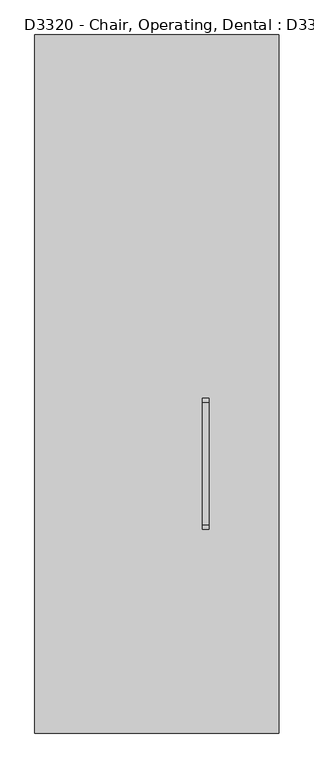
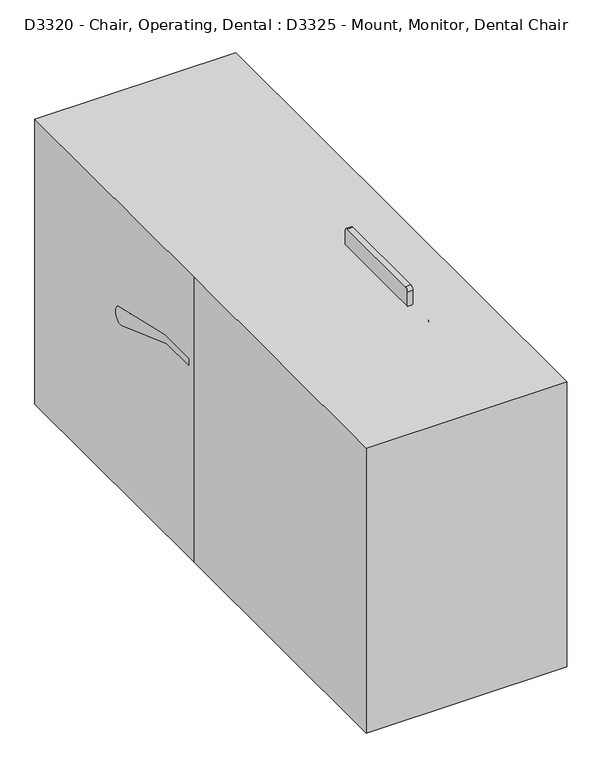
"""IFC4 building model written with IfcOpenShell, lengths in millimetres: proxy geometry, D3320 - Chair, Operating, Dental : D3325 - Mount, Monitor, Dental Chair."""

import ifcopenshell
import ifcopenshell.guid

model = None  # the IFC model being written
_history = None  # IfcOwnerHistory: only IFC2X3 demands one
_inside = {}  # id of a spatial element -> (the spatial element, [elements in it])
_under = {}  # id of a project, library or spatial element -> (it, [spatial elements below it])
_declared = {}  # id of a project -> (the project, [libraries it declares])
_typed = {}  # id of a type object -> (the type object, [elements of that type])
_made_of = {}  # id of a material, layer set ... -> (it, [elements and type objects made of it])


def new_model(schema):
    """Start an empty IFC model of exactly this schema.

    Asked for "IFC4X3", IfcOpenShell would pick the latest addendum, in which some entities
    have other attributes; the version numbers below select the first issue.
    IFC2X3 requires an IfcOwnerHistory on every rooted entity: one is made here for all.
    """
    global model, _history
    if schema == "IFC4X3":
        model = ifcopenshell.file(schema_version=(4, 3, 0, 0))
    else:
        model = ifcopenshell.file(schema=schema)
    _inside.clear()
    _under.clear()
    _declared.clear()
    _typed.clear()
    _made_of.clear()
    _history = None
    if model.schema == "IFC2X3":
        org = make("IfcOrganization", Name="unknown")
        user = make(
            "IfcPersonAndOrganization",
            ThePerson=make("IfcPerson", FamilyName="unknown"),
            TheOrganization=org,
        )
        app = make(
            "IfcApplication",
            ApplicationDeveloper=org,
            Version="unknown",
            ApplicationFullName="unknown",
            ApplicationIdentifier="unknown",
        )
        _history = make(
            "IfcOwnerHistory",
            OwningUser=user,
            OwningApplication=app,
            ChangeAction="ADDED",
            CreationDate=0,
        )
    return model


def make(cls, **values):
    """One entity of the class cls with the attributes given. An attribute that is None is left unset."""
    return model.create_entity(
        cls, **{name: value for name, value in values.items() if value is not None}
    )


def rooted(cls, **values):
    """An entity with a GlobalId (a new one), such as an element, a storey or a relation."""
    return make(cls, GlobalId=ifcopenshell.guid.new(), OwnerHistory=_history, **values)


def si_unit(unit_type, name, prefix=None):
    """IfcSIUnit, for example si_unit("LENGTHUNIT", "METRE", prefix="MILLI")."""
    return make("IfcSIUnit", UnitType=unit_type, Prefix=prefix, Name=name)


def assignment(units):
    """IfcUnitAssignment: the units of a project."""
    return None if units is None else make("IfcUnitAssignment", Units=units)


def point(xyz):
    """IfcCartesianPoint."""
    return None if xyz is None else make("IfcCartesianPoint", Coordinates=xyz)


def direction(xyz):
    """IfcDirection."""
    return None if xyz is None else make("IfcDirection", DirectionRatios=xyz)


def frame(location, z_axis=None, x_axis=None):
    """IfcAxis2Placement3D, a coordinate frame: its origin and axes. An axis left out is left unset."""
    return make(
        "IfcAxis2Placement3D",
        Location=point(location),
        Axis=direction(z_axis),
        RefDirection=direction(x_axis),
    )


def frame_2d(location, x_axis=None):
    """IfcAxis2Placement2D, a coordinate frame in the plane: its origin and x axis."""
    return make(
        "IfcAxis2Placement2D", Location=point(location), RefDirection=direction(x_axis)
    )


def origin():
    """The frame at (0, 0, 0) with its axes left unset."""
    return frame((0.0, 0.0, 0.0))


def origin_with_axes():
    """The frame at (0, 0, 0) with the z axis (0, 0, 1) and the x axis (1, 0, 0) written out."""
    return frame((0.0, 0.0, 0.0), z_axis=(0.0, 0.0, 1.0), x_axis=(1.0, 0.0, 0.0))


def place(relative_to, where):
    """IfcLocalPlacement: puts the frame where relative to a parent placement (None: the world)."""
    return make(
        "IfcLocalPlacement", PlacementRelTo=relative_to, RelativePlacement=where
    )


def context(
    kind, dimensions, precision=None, world=None, true_north=None, identifier=None
):
    """IfcGeometricRepresentationContext, for example the 3D "Model" context."""
    return make(
        "IfcGeometricRepresentationContext",
        ContextIdentifier=identifier,
        ContextType=kind,
        CoordinateSpaceDimension=dimensions,
        Precision=precision,
        WorldCoordinateSystem=world,
        TrueNorth=true_north,
    )


def project(units=None, contexts=None):
    """IfcProject with its units and contexts."""
    return rooted(
        "IfcProject",
        Name="project",
        RepresentationContexts=contexts,
        UnitsInContext=assignment(units),
    )


def spatial(cls, under=None, at=None, **own):
    """A site, building, storey or space (cls), placed at a placement, below another one or the project."""
    s = rooted(cls, ObjectPlacement=at, **own)
    if under is not None:
        _under.setdefault(under.id(), (under, []))[1].append(s)
    return s


def polyline(points):
    """IfcPolyline through the points."""
    return make("IfcPolyline", Points=[point(p) for p in points])


def circle_curve(where, radius):
    """IfcCircle in the frame where."""
    return make("IfcCircle", Position=where, Radius=radius)


def ellipse_curve(where, semi_axis1, semi_axis2):
    """IfcEllipse in the frame where."""
    return make(
        "IfcEllipse", Position=where, SemiAxis1=semi_axis1, SemiAxis2=semi_axis2
    )


def trimmed(basis, trim1, trim2, sense, master):
    """IfcTrimmedCurve: the piece of a basis curve between two trims."""
    return make(
        "IfcTrimmedCurve",
        BasisCurve=basis,
        Trim1=trim1,
        Trim2=trim2,
        SenseAgreement=sense,
        MasterRepresentation=master,
    )


def segment(curve, same_sense, transition):
    """IfcCompositeCurveSegment."""
    return make(
        "IfcCompositeCurveSegment",
        Transition=transition,
        SameSense=same_sense,
        ParentCurve=curve,
    )


def composite_curve(segments, self_intersect=None):
    """IfcCompositeCurve: segments joined end to end."""
    return make("IfcCompositeCurve", Segments=segments, SelfIntersect=self_intersect)


def outline(outer, holes=None, kind="AREA"):
    """IfcArbitraryClosedProfileDef: a profile drawn as a closed curve; with holes, ...WithVoids."""
    if holes is None:
        return make("IfcArbitraryClosedProfileDef", ProfileType=kind, OuterCurve=outer)
    return make(
        "IfcArbitraryProfileDefWithVoids",
        ProfileType=kind,
        OuterCurve=outer,
        InnerCurves=holes,
    )


def extrude(swept, where, along, depth):
    """IfcExtrudedAreaSolid: the profile swept, set in the frame where, extruded along a direction by depth."""
    return make(
        "IfcExtrudedAreaSolid",
        SweptArea=swept,
        Position=where,
        ExtrudedDirection=direction(along),
        Depth=depth,
    )


def shape(context_of_items, identifier, shape_type, items):
    """IfcShapeRepresentation: the items that make up one representation, for example the "Body"."""
    return make(
        "IfcShapeRepresentation",
        ContextOfItems=context_of_items,
        RepresentationIdentifier=identifier,
        RepresentationType=shape_type,
        Items=items,
    )


def source(mapping_origin, context_of_items, identifier, shape_type, items):
    """IfcRepresentationMap: a shape defined once, which mapped items show again and again."""
    return make(
        "IfcRepresentationMap",
        MappingOrigin=mapping_origin,
        MappedRepresentation=shape(context_of_items, identifier, shape_type, items),
    )


def transform(
    local_origin,
    x_axis=None,
    y_axis=None,
    z_axis=None,
    scale=None,
    scale2=None,
    scale3=None,
    uniform=True,
):
    """IfcCartesianTransformationOperator3D, or its non-uniform kind. x_axis, y_axis, z_axis: its Axis1, 2, 3."""
    if uniform:
        return make(
            "IfcCartesianTransformationOperator3D",
            Axis1=direction(x_axis),
            Axis2=direction(y_axis),
            LocalOrigin=point(local_origin),
            Scale=scale,
            Axis3=direction(z_axis),
        )
    return make(
        "IfcCartesianTransformationOperator3DnonUniform",
        Axis1=direction(x_axis),
        Axis2=direction(y_axis),
        LocalOrigin=point(local_origin),
        Scale=scale,
        Axis3=direction(z_axis),
        Scale2=scale2,
        Scale3=scale3,
    )


def mapped(mapping_source, mapping_target):
    """IfcMappedItem: shows the shape of a source again, moved by a transform."""
    return make(
        "IfcMappedItem", MappingSource=mapping_source, MappingTarget=mapping_target
    )


def made_of(thing, what):
    """Note that an element or type object is made of a material, layer set ...; save() writes the relation."""
    if what is not None:
        _made_of.setdefault(what.id(), (what, []))[1].append(thing)
    return thing


def element(
    cls,
    number,
    at=None,
    inside=None,
    cuts=None,
    type_object=None,
    material=None,
    context=None,
    identifier="Body",
    shape_type=None,
    held_by="IfcProductDefinitionShape",
    body=None,
    shapes=None,
    **own,
):
    """One element of the class cls, such as IfcWall. Its Tag is "e" and its number.

    at: its placement. inside: the storey or other place that contains it. cuts: it is an
    opening in that element (IfcRelVoidsElement). A single representation is given by context,
    identifier, shape_type and body (its items); several are given by shapes. held_by: the class
    of the entity that holds the representations. save() writes the other relations.
    """
    e = rooted(cls, Tag="e%d" % number, ObjectPlacement=at, **own)
    if body is not None:
        shapes = [shape(context, identifier, shape_type, body)]
    if shapes is not None:
        e.Representation = make(held_by, Representations=shapes)
    if inside is not None:
        _inside.setdefault(inside.id(), (inside, []))[1].append(e)
    if cuts is not None:
        rooted(
            "IfcRelVoidsElement", RelatingBuildingElement=cuts, RelatedOpeningElement=e
        )
    if type_object is not None:
        _typed.setdefault(type_object.id(), (type_object, []))[1].append(e)
    return made_of(e, material)


def aggregate(whole, parts):
    """IfcRelAggregates: a whole, such as a stair, and the parts it consists of."""
    return rooted("IfcRelAggregates", RelatingObject=whole, RelatedObjects=parts)


def save(model, path):
    """Write the relations noted so far, then the file.

    IfcRelAggregates (storeys below a building ...), IfcRelContainedInSpatialStructure (elements
    in a storey), IfcRelDefinesByType, IfcRelAssociatesMaterial and IfcRelDeclares: one each for
    every whole, place, type object, material and project.
    """
    for whole, parts in _under.values():
        aggregate(whole, parts)
    for where, things in _inside.values():
        rooted(
            "IfcRelContainedInSpatialStructure",
            RelatedElements=things,
            RelatingStructure=where,
        )
    for kind, things in _typed.values():
        rooted("IfcRelDefinesByType", RelatedObjects=things, RelatingType=kind)
    for what, things in _made_of.values():
        rooted("IfcRelAssociatesMaterial", RelatedObjects=things, RelatingMaterial=what)
    for by, libraries in _declared.values():
        rooted("IfcRelDeclares", RelatingContext=by, RelatedDefinitions=libraries)
    model.write(path)


def plane_surface(at):
    """IfcPlane: the flat surface through the origin of the frame at, square to its z axis."""
    return make("IfcPlane", Position=at)


def cylinder_surface(at, radius):
    """IfcCylindricalSurface: all points at the distance radius from the z axis of the frame at."""
    return make("IfcCylindricalSurface", Position=at, Radius=radius)


def revolved_surface(curve, axis_point, axis_direction):
    """IfcSurfaceOfRevolution: the curve turned about the line through axis_point along axis_direction."""
    return make(
        "IfcSurfaceOfRevolution",
        SweptCurve=make("IfcArbitraryOpenProfileDef", ProfileType="CURVE", Curve=curve),
        AxisPosition=make("IfcAxis1Placement", Location=point(axis_point), Axis=direction(axis_direction)),
    )


def spline_surface(u_degree, v_degree, points, u_multiplicities, v_multiplicities, u_knots, v_knots, weights=None):
    """IfcBSplineSurfaceWithKnots; with weights, IfcRationalBSplineSurfaceWithKnots. points: one row for each step in u."""
    own = dict(
        UDegree=u_degree,
        VDegree=v_degree,
        ControlPointsList=[[point(p) for p in row] for row in points],
        SurfaceForm="UNSPECIFIED",
        UClosed=False,
        VClosed=False,
        SelfIntersect=False,
        UMultiplicities=u_multiplicities,
        VMultiplicities=v_multiplicities,
        UKnots=u_knots,
        VKnots=v_knots,
        KnotSpec="UNSPECIFIED",
    )
    if weights is None:
        return make("IfcBSplineSurfaceWithKnots", **own)
    return make("IfcRationalBSplineSurfaceWithKnots", WeightsData=weights, **own)


def advanced_brep(points, edges, surfaces, faces):
    """IfcAdvancedBrep: a solid bounded by faces that lie on surfaces and meet in shared edges.

    An edge is (start, end): straight between two places in points (the first is 0);
    or (start, end, curve); or (start, end, curve, False) where it runs against its curve.
    A face is (place in surfaces, loops), or (place, loops, False) where it looks against
    its surface's normal. A loop lists edges by number (the first is 1), with a minus sign
    where the edge is run from its end to its start. The first loop is the outer one.
    """
    corners = [point(p) for p in points]
    vertices = [make("IfcVertexPoint", VertexGeometry=c) for c in corners]
    made = []
    for start, end, *more in edges:
        made.append(
            make(
                "IfcEdgeCurve",
                EdgeStart=vertices[start],
                EdgeEnd=vertices[end],
                EdgeGeometry=more[0] if more else make("IfcPolyline", Points=[corners[start], corners[end]]),
                SameSense=more[1] if len(more) > 1 else True,
            )
        )
    hull = []
    for where, loops, *sense in faces:
        bounds = []
        for j, loop in enumerate(loops):
            ring = [make("IfcOrientedEdge", EdgeElement=made[abs(k) - 1], Orientation=k > 0) for k in loop]
            bounds.append(
                make(
                    "IfcFaceOuterBound" if j == 0 else "IfcFaceBound",
                    Bound=make("IfcEdgeLoop", EdgeList=ring),
                    Orientation=True,
                )
            )
        hull.append(make("IfcAdvancedFace", Bounds=bounds, FaceSurface=surfaces[where], SameSense=sense[0] if sense else True))
    return make("IfcAdvancedBrep", Outer=make("IfcClosedShell", CfsFaces=hull))


def d3320_chair_operating_dental_d3325_mount_monitor_dental_678bfee4(model_context):
    return source(origin(), model_context, "Body", "SolidModel", [
        advanced_brep(
        [(330.2, -282.0868489, 807.4979758), (330.2, -282.0868489, 845.5979758), (330.2, -212.2368489, 877.3479758), (330.2, -250.3368489, 877.3479758)],
        [
            (0, 1, circle_curve(frame((330.2, -282.0868489, 826.5479758), z_axis=(0.0, -1.0, 0.0), x_axis=(0.0, 0.0, 1.0)), 19.05)),
            (1, 0, circle_curve(frame((330.2, -282.0868489, 826.5479758), z_axis=(0.0, -1.0, 0.0), x_axis=(0.0, 0.0, 1.0)), 19.05)),
            (2, 3, circle_curve(frame((330.2, -231.2868489, 877.3479758), z_axis=(0.0, 0.0, 1.0), x_axis=(0.0, -1.0, 0.0)), 19.05)),
            (3, 2, circle_curve(frame((330.2, -231.2868489, 877.3479758), z_axis=(0.0, 0.0, 1.0), x_axis=(0.0, -1.0, 0.0)), 19.05)),
            (3, 1, circle_curve(frame((330.2, -282.0868489, 877.3479758), z_axis=(-1.0, 0.0, 0.0), x_axis=(0.0, 0.0, -1.0)), 31.75)),
            (0, 2, circle_curve(frame((330.2, -282.0868489, 877.3479758), z_axis=(1.0, 0.0, 0.0), x_axis=(0.0, 0.0, -1.0)), 69.85)),
        ],
        [
            plane_surface(frame((330.2, -282.0868489, 826.5479758), z_axis=(0.0, -1.0, 0.0), x_axis=(1.0, 0.0, 0.0))),
            plane_surface(frame((330.2, -231.2868489, 877.3479758), z_axis=(0.0, 0.0, 1.0), x_axis=(1.0, 0.0, 0.0))),
            revolved_surface(trimmed(ellipse_curve(frame((330.2, -282.0868489, 826.5479758), z_axis=(0.0, -1.0, 0.0), x_axis=(0.0, 0.0, 1.0)), 19.05, 19.05), [point((330.2, -282.0868489, 807.4979758))], [point((330.2, -282.0868489, 845.5979758))], True, "CARTESIAN"), (330.2, -282.0868489, 877.3479758), (1.0, 0.0, 0.0)),
            revolved_surface(trimmed(ellipse_curve(frame((330.2, -282.0868489, 826.5479758), z_axis=(0.0, -1.0, 0.0), x_axis=(0.0, 0.0, 1.0)), 19.05, 19.05), [point((330.2, -282.0868489, 845.5979758))], [point((330.2, -282.0868489, 807.4979758))], True, "CARTESIAN"), (330.2, -282.0868489, 877.3479758), (1.0, 0.0, 0.0)),
        ],
        [
            (0, [[1, 2]]),
            (1, [[3, 4]]),
            (2, [[5, -1, 6, -4]]),
            (3, [[-6, -2, -5, -3]]),
        ],
    ),
        extrude(outline(composite_curve([segment(trimmed(circle_curve(frame_2d((826.5479758, 330.2)), 19.05), [point((807.4979758, 330.2))], [point((845.5979758, 330.2))], False, "CARTESIAN"), True, "CONTINUOUS"), segment(trimmed(circle_curve(frame_2d((826.5479758, 330.2)), 19.05), [point((845.5979758, 330.2))], [point((807.4979758, 330.2))], False, "CARTESIAN"), True, "CONTINUOUS")], self_intersect=False)), frame((0.0, -629.7082464, 0.0), z_axis=(0.0, 1.0, 0.0), x_axis=(0.0, 0.0, 1.0)), (0.0, 0.0, 1.0), 347.6213974),
        advanced_brep(
        [(330.2, -629.7082464, 845.5979758), (330.2, -629.7082464, 807.4979758), (330.2, -699.5582464, 775.7479758), (330.2, -661.4582464, 775.7479758)],
        [
            (0, 1, circle_curve(frame((330.2, -629.7082464, 826.5479758), z_axis=(0.0, 1.0, 0.0), x_axis=(0.0, 0.0, -1.0)), 19.05)),
            (1, 0, circle_curve(frame((330.2, -629.7082464, 826.5479758), z_axis=(0.0, 1.0, 0.0), x_axis=(0.0, 0.0, -1.0)), 19.05)),
            (2, 3, circle_curve(frame((330.2, -680.5082464, 775.7479758), z_axis=(0.0, 0.0, -1.0), x_axis=(0.0, 1.0, 0.0)), 19.05)),
            (3, 2, circle_curve(frame((330.2, -680.5082464, 775.7479758), z_axis=(0.0, 0.0, -1.0), x_axis=(0.0, 1.0, 0.0)), 19.05)),
            (3, 1, circle_curve(frame((330.2, -629.7082464, 775.7479758), z_axis=(-1.0, 0.0, 0.0), x_axis=(0.0, 0.0, 1.0)), 31.75)),
            (0, 2, circle_curve(frame((330.2, -629.7082464, 775.7479758), z_axis=(1.0, 0.0, 0.0), x_axis=(0.0, 0.0, 1.0)), 69.85)),
        ],
        [
            plane_surface(frame((330.2, -629.7082464, 826.5479758), z_axis=(0.0, 1.0, 0.0), x_axis=(1.0, 0.0, 0.0))),
            plane_surface(frame((330.2, -680.5082464, 775.7479758), z_axis=(0.0, 0.0, -1.0), x_axis=(1.0, 0.0, 0.0))),
            revolved_surface(trimmed(ellipse_curve(frame((330.2, -629.7082464, 826.5479758), z_axis=(0.0, 1.0, 0.0), x_axis=(0.0, 0.0, -1.0)), 19.05, 19.05), [point((330.2, -629.7082464, 845.5979758))], [point((330.2, -629.7082464, 807.4979758))], True, "CARTESIAN"), (330.2, -629.7082464, 775.7479758), (1.0, 0.0, 0.0)),
            revolved_surface(trimmed(ellipse_curve(frame((330.2, -629.7082464, 826.5479758), z_axis=(0.0, 1.0, 0.0), x_axis=(0.0, 0.0, -1.0)), 19.05, 19.05), [point((330.2, -629.7082464, 807.4979758))], [point((330.2, -629.7082464, 845.5979758))], True, "CARTESIAN"), (330.2, -629.7082464, 775.7479758), (1.0, 0.0, 0.0)),
        ],
        [
            (0, [[1, 2]]),
            (1, [[3, 4]]),
            (2, [[5, -1, 6, -4]]),
            (3, [[-6, -2, -5, -3]]),
        ],
    ),
        extrude(outline(composite_curve([segment(polyline([(-54.312137, 904.4198133), (-409.912137, 904.4198133)]), True, "CONTINUOUS"), segment(trimmed(circle_curve(frame_2d((-409.912137, 917.1198133)), 12.7), [point((-409.912137, 904.4198133))], [point((-422.612137, 917.1198133))], False, "CARTESIAN"), True, "CONTINUOUS"), segment(polyline([(-422.612137, 917.1198133), (-422.612137, 1120.3198133)]), True, "CONTINUOUS"), segment(trimmed(circle_curve(frame_2d((-409.912137, 1120.3198133)), 12.7), [point((-422.612137, 1120.3198133))], [point((-409.912137, 1133.0198133))], False, "CARTESIAN"), True, "CONTINUOUS"), segment(polyline([(-409.912137, 1133.0198133), (-54.312137, 1133.0198133)]), True, "CONTINUOUS"), segment(trimmed(circle_curve(frame_2d((-54.312137, 1120.3198133)), 12.7), [point((-54.312137, 1133.0198133))], [point((-41.612137, 1120.3198133))], False, "CARTESIAN"), True, "CONTINUOUS"), segment(polyline([(-41.612137, 1120.3198133), (-41.612137, 917.1198133)]), True, "CONTINUOUS"), segment(trimmed(circle_curve(frame_2d((-54.312137, 917.1198133)), 12.7), [point((-41.612137, 917.1198133))], [point((-54.312137, 904.4198133))], False, "CARTESIAN"), True, "CONTINUOUS")], self_intersect=False)), frame((133.35, 0.0, 0.0), z_axis=(1.0, 0.0, 0.0), x_axis=(0.0, 1.0, 0.0)), (0.0, 0.0, 1.0), 19.05),
        advanced_brep(
        [(152.4, -231.2868489, 909.123847), (152.4, -231.2868489, 947.223847), (279.4, -231.2868489, 947.223847), (279.4, -231.2868489, 909.123847), (311.15, -231.2868489, 877.373847), (349.25, -231.2868489, 877.373847)],
        [
            (0, 1, circle_curve(frame((152.4, -231.2868489, 928.173847), z_axis=(-1.0, 0.0, 0.0), x_axis=(0.0, 0.0, 1.0)), 19.05)),
            (1, 0, circle_curve(frame((152.4, -231.2868489, 928.173847), z_axis=(-1.0, 0.0, 0.0), x_axis=(0.0, 0.0, 1.0)), 19.05)),
            (1, 2),
            (2, 3, circle_curve(frame((279.4, -231.2868489, 928.173847), z_axis=(-1.0, 0.0, 0.0), x_axis=(0.0, 0.0, 1.0)), 19.05)),
            (3, 0),
            (3, 2, circle_curve(frame((279.4, -231.2868489, 928.173847), z_axis=(-1.0, 0.0, 0.0), x_axis=(0.0, 0.0, 1.0)), 19.05)),
            (4, 5, circle_curve(frame((330.2, -231.2868489, 877.373847), z_axis=(0.0, 0.0, -1.0), x_axis=(1.0, 0.0, 0.0)), 19.05)),
            (5, 4, circle_curve(frame((330.2, -231.2868489, 877.373847), z_axis=(0.0, 0.0, -1.0), x_axis=(1.0, 0.0, 0.0)), 19.05)),
            (4, 3, circle_curve(frame((279.4, -231.2868489, 877.373847), z_axis=(0.0, -1.0, 0.0), x_axis=(0.0, 0.0, 1.0)), 31.75)),
            (2, 5, circle_curve(frame((279.4, -231.2868489, 877.373847), z_axis=(0.0, 1.0, 0.0), x_axis=(0.0, 0.0, 1.0)), 69.85)),
        ],
        [
            plane_surface(frame((152.4, -231.2868489, 928.173847), z_axis=(-1.0, 0.0, 0.0), x_axis=(0.0, -1.0, 0.0))),
            cylinder_surface(frame((152.4, -231.2868489, 928.173847), z_axis=(-1.0, 0.0, 0.0), x_axis=(0.0, 0.0, 1.0)), 19.05),
            plane_surface(frame((330.2, -231.2868489, 877.373847), z_axis=(0.0, 0.0, -1.0), x_axis=(0.0, -1.0, 0.0))),
            revolved_surface(trimmed(ellipse_curve(frame((279.4, -231.2868489, 928.173847), z_axis=(-1.0, 0.0, 0.0), x_axis=(0.0, 0.0, 1.0)), 19.05, 19.05), [point((279.4, -231.2868489, 947.223847))], [point((279.4, -231.2868489, 909.123847))], True, "CARTESIAN"), (279.4, -231.2868489, 877.373847), (0.0, 1.0, 0.0)),
            revolved_surface(trimmed(ellipse_curve(frame((279.4, -231.2868489, 928.173847), z_axis=(-1.0, 0.0, 0.0), x_axis=(0.0, 0.0, 1.0)), 19.05, 19.05), [point((279.4, -231.2868489, 909.123847))], [point((279.4, -231.2868489, 947.223847))], True, "CARTESIAN"), (279.4, -231.2868489, 877.373847), (0.0, 1.0, 0.0)),
        ],
        [
            (0, [[1, 2]]),
            (1, [[-2, 3, 4, 5]]),
            (1, [[-1, -5, 6, -3]]),
            (2, [[7, 8]]),
            (3, [[9, -4, 10, -7]]),
            (4, [[-10, -6, -9, -8]]),
        ],
    ),
        advanced_brep(
        [(152.4, -680.5082464, 147.0979758), (152.4, -680.5082464, 185.1979758), (279.4, -680.5082464, 147.0979758), (279.4, -680.5082464, 185.1979758), (349.25, -680.5082464, 216.9479758), (311.15, -680.5082464, 216.9479758)],
        [
            (0, 1, circle_curve(frame((152.4, -680.5082464, 166.1479758), z_axis=(-1.0, 0.0, 0.0), x_axis=(0.0, 0.0, 1.0)), 19.05)),
            (1, 0, circle_curve(frame((152.4, -680.5082464, 166.1479758), z_axis=(-1.0, 0.0, 0.0), x_axis=(0.0, 0.0, 1.0)), 19.05)),
            (0, 2),
            (2, 3, circle_curve(frame((279.4, -680.5082464, 166.1479758), z_axis=(-1.0, 0.0, 0.0), x_axis=(0.0, 0.0, 1.0)), 19.05)),
            (3, 1),
            (3, 2, circle_curve(frame((279.4, -680.5082464, 166.1479758), z_axis=(-1.0, 0.0, 0.0), x_axis=(0.0, 0.0, 1.0)), 19.05)),
            (4, 5, circle_curve(frame((330.2, -680.5082464, 216.9479758), z_axis=(0.0, 0.0, 1.0), x_axis=(-1.0, 0.0, 0.0)), 19.05)),
            (5, 4, circle_curve(frame((330.2, -680.5082464, 216.9479758), z_axis=(0.0, 0.0, 1.0), x_axis=(-1.0, 0.0, 0.0)), 19.05)),
            (5, 3, circle_curve(frame((279.4, -680.5082464, 216.9479758), z_axis=(0.0, 1.0, 0.0), x_axis=(0.0, 0.0, -1.0)), 31.75)),
            (2, 4, circle_curve(frame((279.4, -680.5082464, 216.9479758), z_axis=(0.0, -1.0, 0.0), x_axis=(0.0, 0.0, -1.0)), 69.85)),
        ],
        [
            plane_surface(frame((152.4, -680.5082464, 166.1479758), z_axis=(-1.0, 0.0, 0.0), x_axis=(0.0, -1.0, 0.0))),
            cylinder_surface(frame((152.4, -680.5082464, 166.1479758), z_axis=(-1.0, 0.0, 0.0), x_axis=(0.0, 0.0, 1.0)), 19.05),
            plane_surface(frame((330.2, -680.5082464, 216.9479758), z_axis=(0.0, 0.0, 1.0), x_axis=(0.0, -1.0, 0.0))),
            revolved_surface(trimmed(ellipse_curve(frame((279.4, -680.5082464, 166.1479758), z_axis=(-1.0, 0.0, 0.0), x_axis=(0.0, 0.0, 1.0)), 19.05, 19.05), [point((279.4, -680.5082464, 147.0979758))], [point((279.4, -680.5082464, 185.1979758))], True, "CARTESIAN"), (279.4, -680.5082464, 216.9479758), (0.0, -1.0, 0.0)),
            revolved_surface(trimmed(ellipse_curve(frame((279.4, -680.5082464, 166.1479758), z_axis=(-1.0, 0.0, 0.0), x_axis=(0.0, 0.0, 1.0)), 19.05, 19.05), [point((279.4, -680.5082464, 185.1979758))], [point((279.4, -680.5082464, 147.0979758))], True, "CARTESIAN"), (279.4, -680.5082464, 216.9479758), (0.0, -1.0, 0.0)),
        ],
        [
            (0, [[1, 2]]),
            (1, [[-1, 3, 4, 5]]),
            (1, [[-2, -5, 6, -3]]),
            (2, [[7, 8]]),
            (3, [[9, -4, 10, -8]]),
            (4, [[-10, -6, -9, -7]]),
        ],
    ),
        extrude(outline(composite_curve([segment(trimmed(circle_curve(frame_2d((493.8256126, 645.6714008)), 19.05), [point((474.7756126, 645.6714008))], [point((512.8756126, 645.6714008))], False, "CARTESIAN"), True, "CONTINUOUS"), segment(trimmed(circle_curve(frame_2d((493.8256126, 645.6714008)), 19.05), [point((512.8756126, 645.6714008))], [point((474.7756126, 645.6714008))], False, "CARTESIAN"), True, "CONTINUOUS")], self_intersect=False)), frame((-306.1189765, 0.0, 0.0), z_axis=(1.0, 0.0, 0.0), x_axis=(0.0, 1.0, 0.0)), (0.0, 0.0, 1.0), 610.9189765),
        extrude(outline(composite_curve([segment(trimmed(circle_curve(frame_2d((330.2, -680.5082464)), 19.05), [point((349.25, -680.5082464))], [point((311.15, -680.5082464))], False, "CARTESIAN"), True, "CONTINUOUS"), segment(trimmed(circle_curve(frame_2d((330.2, -680.5082464)), 19.05), [point((311.15, -680.5082464))], [point((349.25, -680.5082464))], False, "CARTESIAN"), True, "CONTINUOUS")], self_intersect=False)), frame((0.0, 0.0, 216.9479758), z_axis=(0.0, 0.0, 1.0), x_axis=(1.0, 0.0, 0.0)), (0.0, 0.0, 1.0), 558.8),
        extrude(outline(composite_curve([segment(trimmed(circle_curve(frame_2d((208.2843617, -50.8)), 50.8), [point((208.2843617, 0.0))], [point((243.3133982, -14.0086069))], False, "CARTESIAN"), True, "CONTINUOUS"), segment(polyline([(243.3133982, -14.0086069), (332.2133982, -167.9879237)]), True, "CONTINUOUS"), segment(trimmed(circle_curve(frame_2d((16.6967808, -350.1515277)), 364.327208), [point((332.2133982, -167.9879237))], [point((381.0, -345.9707394))], False, "CARTESIAN"), True, "CONTINUOUS"), segment(polyline([(381.0, -345.9707394), (381.0, -422.1707394)]), True, "CONTINUOUS"), segment(trimmed(circle_curve(frame_2d((182.0559291, -422.1707394)), 198.9440709), [point((381.0, -422.1707394))], [point((309.9347128, -574.5707394))], False, "CARTESIAN"), True, "CONTINUOUS"), segment(polyline([(309.9347128, -574.5707394), (-50.8, -574.5707394)]), True, "CONTINUOUS"), segment(trimmed(circle_curve(frame_2d((22.4448791, -442.6982999)), 150.8481111), [point((-50.8, -574.5707394))], [point((-127.0, -422.1707394))], False, "CARTESIAN"), True, "CONTINUOUS"), segment(polyline([(-127.0, -422.1707394), (-127.0, -345.9707394)]), True, "CONTINUOUS"), segment(trimmed(circle_curve(frame_2d((237.3032191, -350.1515277)), 364.327208), [point((-127.0, -345.9707394))], [point((-78.2133983, -167.9879237))], False, "CARTESIAN"), True, "CONTINUOUS"), segment(polyline([(-78.2133983, -167.9879237), (10.6866017, -14.0086069)]), True, "CONTINUOUS"), segment(trimmed(circle_curve(frame_2d((45.7156382, -50.8)), 50.8), [point((10.6866017, -14.0086069))], [point((45.7156382, 0.0))], False, "CARTESIAN"), True, "CONTINUOUS"), segment(polyline([(45.7156382, 0.0), (208.2843617, 0.0)]), True, "CONTINUOUS")], self_intersect=False)), frame((-129.5673564, 864.322553, 876.3857997), z_axis=(0.0, -0.6156614753256581, 0.7880107536067222), x_axis=(1.0, 0.0, 0.0)), (0.0, 0.0, 1.0), 25.4),
        extrude(outline(composite_curve([segment(trimmed(circle_curve(frame_2d((208.2843617, -50.8)), 50.8), [point((208.2843617, 0.0))], [point((243.3133982, -14.0086069))], False, "CARTESIAN"), True, "CONTINUOUS"), segment(polyline([(243.3133982, -14.0086069), (332.2133982, -167.9879237)]), True, "CONTINUOUS"), segment(trimmed(circle_curve(frame_2d((16.6967808, -350.1515277)), 364.327208), [point((332.2133982, -167.9879237))], [point((381.0, -345.9707394))], False, "CARTESIAN"), True, "CONTINUOUS"), segment(polyline([(381.0, -345.9707394), (381.0, -422.1707394)]), True, "CONTINUOUS"), segment(trimmed(circle_curve(frame_2d((182.0559291, -422.1707394)), 198.9440709), [point((381.0, -422.1707394))], [point((309.9347128, -574.5707394))], False, "CARTESIAN"), True, "CONTINUOUS"), segment(polyline([(309.9347128, -574.5707394), (-50.8, -574.5707394)]), True, "CONTINUOUS"), segment(trimmed(circle_curve(frame_2d((22.4448791, -442.6982998)), 150.8481111), [point((-50.8, -574.5707394))], [point((-127.0, -422.1707394))], False, "CARTESIAN"), True, "CONTINUOUS"), segment(polyline([(-127.0, -422.1707394), (-127.0, -345.9707394)]), True, "CONTINUOUS"), segment(trimmed(circle_curve(frame_2d((237.3032191, -350.1515277)), 364.327208), [point((-127.0, -345.9707394))], [point((-78.2133983, -167.9879237))], False, "CARTESIAN"), True, "CONTINUOUS"), segment(polyline([(-78.2133983, -167.9879237), (10.6866017, -14.0086069)]), True, "CONTINUOUS"), segment(trimmed(circle_curve(frame_2d((45.7156382, -50.8)), 50.8), [point((10.6866017, -14.0086069))], [point((45.7156382, 0.0))], False, "CARTESIAN"), True, "CONTINUOUS"), segment(polyline([(45.7156382, 0.0), (208.2843617, 0.0)]), True, "CONTINUOUS")], self_intersect=False)), frame((-129.5673564, 848.6847515, 896.4012729), z_axis=(0.0, -0.6156614753256581, 0.7880107536067222), x_axis=(1.0, 0.0, 0.0)), (0.0, 0.0, 1.0), 50.8),
        extrude(outline(composite_curve([segment(trimmed(circle_curve(frame_2d((489.7654805, 647.772225)), 31.75), [point((504.1673656, 676.0679527))], [point((478.9625427, 617.9165884))], False, "CARTESIAN"), True, "CONTINUOUS"), segment(polyline([(478.9625427, 617.9165884), (206.8538697, 716.3761557), (73.5038697, 716.3761557), (73.5038697, 741.7761557), (219.5538697, 741.7761557), (504.1673656, 676.0679527)]), True, "CONTINUOUS")], self_intersect=False)), frame((304.8, 0.0, 0.0), z_axis=(1.0, 0.0, 0.0), x_axis=(0.0, 1.0, 0.0)), (0.0, 0.0, 1.0), 50.8),
        extrude(outline(composite_curve([segment(trimmed(circle_curve(frame_2d((489.7654805, 647.772225)), 31.75), [point((504.1673656, 676.0679527))], [point((478.9625427, 617.9165884))], False, "CARTESIAN"), True, "CONTINUOUS"), segment(polyline([(478.9625427, 617.9165884), (206.8538697, 716.3761557), (73.5038697, 716.3761557), (73.5038697, 741.7761557), (219.5538697, 741.7761557), (504.1673656, 676.0679527)]), True, "CONTINUOUS")], self_intersect=False)), frame((-355.6, 0.0, 0.0), z_axis=(1.0, 0.0, 0.0), x_axis=(0.0, 1.0, 0.0)), (0.0, 0.0, 1.0), 50.8),
        extrude(outline(polyline([(310.7877426, 480.8103013), (395.9168302, 542.6602038), (411.5546317, 522.6447306), (310.7877426, 449.4333003), (310.7877426, 480.8103013)])), frame((-50.8, 0.0, 0.0), z_axis=(1.0, 0.0, 0.0), x_axis=(0.0, 1.0, 0.0)), (0.0, 0.0, 1.0), 101.6),
        extrude(outline(polyline([(0.0, -12.7000001), (0.0, 0.0), (50.8, 0.0), (50.8, -12.7000001), (0.0, -12.7000001)])), frame((25.4, 864.322553, 876.3857997), z_axis=(0.0, -0.6156614753256595, 0.788010753606721), x_axis=(-1.0, 0.0, 0.0)), (0.0, 0.0, 1.0), 25.4),
        extrude(outline(composite_curve([segment(trimmed(circle_curve(frame_2d((101.6, -50.8)), 50.8), [point((101.6, 0.0))], [point((152.4, -50.8))], False, "CARTESIAN"), True, "CONTINUOUS"), segment(polyline([(152.4, -50.8), (152.4, -101.6)]), True, "CONTINUOUS"), segment(trimmed(circle_curve(frame_2d((101.6, -101.6)), 50.8), [point((152.4, -101.6))], [point((101.6, -152.3999999))], False, "CARTESIAN"), True, "CONTINUOUS"), segment(polyline([(101.6, -152.3999999), (50.8, -152.3999999)]), True, "CONTINUOUS"), segment(trimmed(circle_curve(frame_2d((50.8, -101.6)), 50.8), [point((50.8, -152.3999999))], [point((0.0, -101.6))], False, "CARTESIAN"), True, "CONTINUOUS"), segment(polyline([(0.0, -101.6), (0.0, -50.8)]), True, "CONTINUOUS"), segment(trimmed(circle_curve(frame_2d((50.8, -50.8)), 50.8), [point((0.0, -50.8))], [point((50.8, 0.0))], False, "CARTESIAN"), True, "CONTINUOUS"), segment(polyline([(50.8, 0.0), (101.6, 0.0)]), True, "CONTINUOUS")], self_intersect=False)), frame((-76.2, 994.4231284, 978.0315093), z_axis=(0.0, -0.6156614753256581, 0.7880107536067222), x_axis=(1.0, 0.0, 0.0)), (0.0, 0.0, 1.0), 25.4),
        extrude(outline(composite_curve([segment(trimmed(circle_curve(frame_2d((101.6, -50.8)), 50.8), [point((101.6, 0.0))], [point((152.4, -50.8))], False, "CARTESIAN"), True, "CONTINUOUS"), segment(polyline([(152.4, -50.8), (152.4, -101.6)]), True, "CONTINUOUS"), segment(trimmed(circle_curve(frame_2d((101.6, -101.6)), 50.8), [point((152.4, -101.6))], [point((101.6, -152.4))], False, "CARTESIAN"), True, "CONTINUOUS"), segment(polyline([(101.6, -152.4), (50.8, -152.4)]), True, "CONTINUOUS"), segment(trimmed(circle_curve(frame_2d((50.8, -101.6)), 50.8), [point((50.8, -152.4))], [point((0.0, -101.6))], False, "CARTESIAN"), True, "CONTINUOUS"), segment(polyline([(0.0, -101.6), (0.0, -50.8)]), True, "CONTINUOUS"), segment(trimmed(circle_curve(frame_2d((50.8, -50.8)), 50.8), [point((0.0, -50.8))], [point((50.8, 0.0))], False, "CARTESIAN"), True, "CONTINUOUS"), segment(polyline([(50.8, 0.0), (101.6, 0.0)]), True, "CONTINUOUS")], self_intersect=False)), frame((-76.2, 978.7853269, 998.0469825), z_axis=(0.0, -0.6156614753256581, 0.7880107536067222), x_axis=(1.0, 0.0, 0.0)), (0.0, 0.0, 1.0), 50.8),
        extrude(outline(polyline([(336.1877426, 524.8043918), (310.7877426, 480.8103013), (-272.8576262, 594.2594685), (-295.1268804, 639.918206), (336.1877426, 524.8043918)])), frame((-304.8, 0.0, 0.0), z_axis=(1.0, 0.0, 0.0), x_axis=(0.0, 1.0, 0.0)), (0.0, 0.0, 1.0), 609.6),
        extrude(outline(composite_curve([segment(polyline([(598.2189765, 0.0), (532.7462193, -533.2328165)]), True, "CONTINUOUS"), segment(trimmed(circle_curve(frame_2d((274.2361884, -526.7589345)), 258.5910811), [point((532.7462193, -533.2328165))], [point((338.8867287, -777.137957))], False, "CARTESIAN"), True, "CONTINUOUS"), segment(polyline([(338.8867287, -777.137957), (245.3132713, -777.137957)]), True, "CONTINUOUS"), segment(trimmed(circle_curve(frame_2d((309.9638116, -526.7589345)), 258.5910811), [point((245.3132713, -777.137957))], [point((51.4537807, -533.2328165))], False, "CARTESIAN"), True, "CONTINUOUS"), segment(polyline([(51.4537807, -533.2328165), (-14.0189765, 0.0), (598.2189765, 0.0)]), True, "CONTINUOUS")], self_intersect=False)), frame((-292.1, -283.3586332, 589.1377851), z_axis=(0.0, -0.4383711467890792, 0.8987940462991661), x_axis=(1.0, 0.0, 0.0)), (0.0, 0.0, 1.0), 50.8),
        extrude(outline(composite_curve([segment(polyline([(-272.8576262, 594.2594685), (310.7877426, 480.8103013), (310.7877426, 452.8366621)]), True, "CONTINUOUS"), segment(trimmed(circle_curve(frame_2d((259.9877426, 452.8366621)), 50.8), [point((310.7877426, 452.8366621))], [point((259.9877426, 402.0366621))], False, "CARTESIAN"), True, "CONTINUOUS"), segment(polyline([(259.9877426, 402.0366621), (90.373422, 402.0366621)]), True, "CONTINUOUS"), segment(trimmed(circle_curve(frame_2d((90.373422, 452.8366621)), 50.8), [point((90.373422, 402.0366621))], [point((74.4163817, 404.6079065))], False, "CARTESIAN"), True, "CONTINUOUS"), segment(polyline([(74.4163817, 404.6079065), (-364.1751013, 549.7209599), (-272.8576262, 594.2594685)]), True, "CONTINUOUS")], self_intersect=False)), frame((-254.0, 0.0, 0.0), z_axis=(1.0, 0.0, 0.0), x_axis=(0.0, 1.0, 0.0)), (0.0, 0.0, 1.0), 508.0),
        extrude(outline(composite_curve([segment(trimmed(circle_curve(frame_2d((154.8195441, 313.1366621)), 80.8223051), [point((235.6418492, 313.1366621))], [point((154.8195441, 232.314357))], False, "CARTESIAN"), True, "CONTINUOUS"), segment(polyline([(154.8195441, 232.314357), (135.7695441, 232.314357)]), True, "CONTINUOUS"), segment(trimmed(circle_curve(frame_2d((135.7695441, 411.5922374)), 179.2778804), [point((135.7695441, 232.314357))], [point((-40.7847024, 442.7235146))], False, "CARTESIAN"), True, "CONTINUOUS"), segment(polyline([(-40.7847024, 442.7235146), (74.4163817, 404.6079065)]), True, "CONTINUOUS"), segment(trimmed(circle_curve(frame_2d((90.373422, 452.8366621)), 50.8), [point((74.4163817, 404.6079065))], [point((88.8729292, 402.0588271))], True, "CARTESIAN"), True, "CONTINUOUS"), segment(polyline([(88.8729292, 402.0588271), (235.6418492, 402.0588271), (235.6418492, 313.1366621)]), True, "CONTINUOUS")], self_intersect=False)), frame((-152.4, 0.0, 0.0), z_axis=(1.0, 0.0, 0.0), x_axis=(0.0, 1.0, 0.0)), (0.0, 0.0, 1.0), 304.8),
        extrude(outline(composite_curve([segment(polyline([(-203.6480621, 317.5988676), (-34.8553722, 356.5677306)]), True, "CONTINUOUS"), segment(trimmed(circle_curve(frame_2d((135.7695441, 411.5922374)), 179.2778804), [point((-34.8553722, 356.5677306))], [point((43.7175474, 257.7514485))], True, "CARTESIAN"), True, "CONTINUOUS"), segment(polyline([(43.7175474, 257.7514485), (-123.4829714, 209.8074713)]), True, "CONTINUOUS"), segment(trimmed(circle_curve(frame_2d((-381.5323002, 101.6)), 279.8183571), [point((-123.4829714, 209.8074713))], [point((-203.6480621, 317.5988676))], True, "CARTESIAN"), True, "CONTINUOUS")], self_intersect=False)), frame((-101.6, 0.0, 0.0), z_axis=(1.0, 0.0, 0.0), x_axis=(0.0, 1.0, 0.0)), (0.0, 0.0, 1.0), 203.2),
        extrude(outline(composite_curve([segment(polyline([(-101.7139431, 101.6), (-101.7139431, 50.8), (-635.0, 50.8), (-635.0, 0.0), (-849.2666885, 0.0), (-849.2666885, 50.8)]), True, "CONTINUOUS"), segment(trimmed(circle_curve(frame_2d((-318.519921, -255.6267891)), 612.8535782), [point((-849.2666885, 50.8))], [point((-318.519921, 357.2267891))], False, "CARTESIAN"), True, "CONTINUOUS"), segment(polyline([(-318.519921, 357.2267891), (-267.719921, 357.2267891)]), True, "CONTINUOUS"), segment(trimmed(circle_curve(frame_2d((-381.5323002, 101.6)), 279.8183571), [point((-267.719921, 357.2267891))], [point((-101.7139431, 101.6))], False, "CARTESIAN"), True, "CONTINUOUS")], self_intersect=False)), frame((-152.4, 0.0, 0.0), z_axis=(1.0, 0.0, 0.0), x_axis=(0.0, 1.0, 0.0)), (0.0, 0.0, 1.0), 304.8),
        extrude(outline(polyline([(368.7784529, 132.1863323), (418.5919512, 122.2236326), (418.5919512, 115.8736326), (368.7784529, 125.8363323), (368.7784529, 132.1863323)])), frame((-48.8615302, 0.0, 0.0), z_axis=(1.0, 0.0, 0.0), x_axis=(0.0, 1.0, 0.0)), (0.0, 0.0, 1.0), 36.3232839),
        extrude(outline(polyline([(368.7784529, 132.1863323), (418.5919512, 122.2236326), (418.5919512, 115.8736326), (368.7784529, 125.8363323), (368.7784529, 132.1863323)])), frame((12.5382463, 0.0, 0.0), z_axis=(1.0, 0.0, 0.0), x_axis=(0.0, 1.0, 0.0)), (0.0, 0.0, 1.0), 36.3232839),
        extrude(outline(polyline([(426.4601145, 101.6), (356.2918492, 101.6), (356.2918492, 128.3336531), (426.4601145, 114.3), (426.4601145, 101.6)])), frame((-63.5, 0.0, 0.0), z_axis=(1.0, 0.0, 0.0), x_axis=(0.0, 1.0, 0.0)), (0.0, 0.0, 1.0), 127.0),
        advanced_brep(
        [(101.6, 392.0977021, 101.6), (-101.6, 392.0977021, 101.6), (127.0, 392.0977021, 50.8), (-127.0, 392.0977021, 50.8)],
        [
            (0, 1, ellipse_curve(frame((0.0, 392.0977021, 101.6), z_axis=(0.0, 0.0, 1.0), x_axis=(-1.0, 0.0, 0.0)), 101.6, 50.8)),
            (1, 0, ellipse_curve(frame((0.0, 392.0977021, 101.6), z_axis=(0.0, 0.0, 1.0), x_axis=(-1.0, 0.0, 0.0)), 101.6, 50.8)),
            (2, 3, ellipse_curve(frame((0.0, 392.0977021, 50.8), z_axis=(0.0, 0.0, -1.0), x_axis=(-1.0, 0.0, 0.0)), 127.0, 63.5)),
            (3, 2, ellipse_curve(frame((0.0, 392.0977021, 50.8), z_axis=(0.0, 0.0, -1.0), x_axis=(-1.0, 0.0, 0.0)), 127.0, 63.5)),
            (3, 1),
            (0, 2),
        ],
        [
            plane_surface(frame((0.0, 392.0977021, 101.6), z_axis=(0.0, 0.0, 1.0), x_axis=(0.0, 1.0, 0.0))),
            plane_surface(frame((0.0, 392.0977021, 50.8), z_axis=(0.0, 0.0, -1.0), x_axis=(0.0, 1.0, 0.0))),
            spline_surface(2, 1, [[(127.0, 392.0977021, 50.8), (101.6, 392.0977021, 101.6)], [(127.0, 455.5977021, 50.8), (101.6, 442.8977021, 101.6)], [(0.0, 455.5977021, 50.8), (0.0, 442.8977021, 101.6)], [(-127.0, 455.5977021, 50.8), (-101.6, 442.8977021, 101.6)], [(-127.0, 392.0977021, 50.8), (-101.6, 392.0977021, 101.6)]], [3, 2, 3], [2, 2], [0.0, 1.0, 2.0], [0.0, 1.0], weights=[[1.0, 1.0], [0.7071067811865476, 0.7071067811865476], [1.0, 1.0], [0.7071067811865476, 0.7071067811865476], [1.0, 1.0]]),
            spline_surface(2, 1, [[(-127.0, 392.0977021, 50.8), (-101.6, 392.0977021, 101.6)], [(-127.0, 328.5977021, 50.8), (-101.6, 341.2977021, 101.6)], [(0.0, 328.5977021, 50.8), (0.0, 341.2977021, 101.6)], [(127.0, 328.5977021, 50.8), (101.6, 341.2977021, 101.6)], [(127.0, 392.0977021, 50.8), (101.6, 392.0977021, 101.6)]], [3, 2, 3], [2, 2], [0.0, 1.0, 2.0], [0.0, 1.0], weights=[[1.0, 1.0], [0.7071067811865476, 0.7071067811865476], [1.0, 1.0], [0.7071067811865476, 0.7071067811865476], [1.0, 1.0]]),
        ],
        [
            (0, [[1, 2]]),
            (1, [[3, 4]]),
            (2, [[-4, 5, -1, 6]]),
            (3, [[-3, -6, -2, -5]]),
        ],
    ),
        extrude(outline(composite_curve([segment(trimmed(circle_curve(frame_2d((-190.5, -203.0820374)), 50.8), [point((-241.3, -203.0820374))], [point((-239.569032, -189.9340299))], False, "CARTESIAN"), True, "CONTINUOUS"), segment(polyline([(-239.569032, -189.9340299), (-158.4649343, 112.7505833)]), True, "CONTINUOUS"), segment(trimmed(circle_curve(frame_2d((-207.5339663, 125.8985908)), 50.8), [point((-158.4649343, 112.7505833))], [point((-156.7339663, 125.8985908))], True, "CARTESIAN"), True, "CONTINUOUS"), segment(polyline([(-156.7339663, 125.8985908), (-156.7339663, 275.9685949)]), True, "CONTINUOUS"), segment(trimmed(circle_curve(frame_2d((-207.5339663, 275.9685949)), 50.8), [point((-156.7339663, 275.9685949))], [point((-171.6129418, 311.8896194))], True, "CARTESIAN"), True, "CONTINUOUS"), segment(polyline([(-171.6129418, 311.8896194), (-201.0210245, 341.2977021)]), True, "CONTINUOUS"), segment(trimmed(circle_curve(frame_2d((-165.1, 377.2187266)), 50.8), [point((-201.0210245, 341.2977021))], [point((-215.9, 377.2187266))], False, "CARTESIAN"), True, "CONTINUOUS"), segment(polyline([(-215.9, 377.2187266), (-215.9, 406.9766776)]), True, "CONTINUOUS"), segment(trimmed(circle_curve(frame_2d((-165.1, 406.9766776)), 50.8), [point((-215.9, 406.9766776))], [point((-165.1, 457.7766776))], False, "CARTESIAN"), True, "CONTINUOUS"), segment(polyline([(-165.1, 457.7766776), (127.0, 457.7766776)]), True, "CONTINUOUS"), segment(trimmed(circle_curve(frame_2d((127.0, 406.9766776)), 50.8), [point((127.0, 457.7766776))], [point((177.8, 406.9766776))], False, "CARTESIAN"), True, "CONTINUOUS"), segment(polyline([(177.8, 406.9766776), (177.8, 377.2187266)]), True, "CONTINUOUS"), segment(trimmed(circle_curve(frame_2d((127.0, 377.2187266)), 50.8), [point((177.8, 377.2187266))], [point((162.9210245, 341.2977021))], False, "CARTESIAN"), True, "CONTINUOUS"), segment(polyline([(162.9210245, 341.2977021), (133.5129418, 311.8896194)]), True, "CONTINUOUS"), segment(trimmed(circle_curve(frame_2d((169.4339663, 275.9685949)), 50.8), [point((133.5129418, 311.8896194))], [point((118.6339663, 275.9685949))], True, "CARTESIAN"), True, "CONTINUOUS"), segment(polyline([(118.6339663, 275.9685949), (118.6339663, 125.8985908)]), True, "CONTINUOUS"), segment(trimmed(circle_curve(frame_2d((169.4339663, 125.8985908)), 50.8), [point((118.6339663, 125.8985908))], [point((120.3649343, 112.7505833))], True, "CARTESIAN"), True, "CONTINUOUS"), segment(polyline([(120.3649343, 112.7505833), (201.469032, -189.9340299)]), True, "CONTINUOUS"), segment(trimmed(circle_curve(frame_2d((152.4, -203.0820374)), 50.8), [point((201.469032, -189.9340299))], [point((203.2, -203.0820374))], False, "CARTESIAN"), True, "CONTINUOUS"), segment(polyline([(203.2, -203.0820374), (203.2, -584.2)]), True, "CONTINUOUS"), segment(trimmed(circle_curve(frame_2d((152.4, -584.2)), 50.8), [point((203.2, -584.2))], [point((152.4, -635.0))], False, "CARTESIAN"), True, "CONTINUOUS"), segment(polyline([(152.4, -635.0), (-190.5, -635.0)]), True, "CONTINUOUS"), segment(trimmed(circle_curve(frame_2d((-190.5, -584.2)), 50.8), [point((-190.5, -635.0))], [point((-241.3, -584.2))], False, "CARTESIAN"), True, "CONTINUOUS"), segment(polyline([(-241.3, -584.2), (-241.3, -203.0820374)]), True, "CONTINUOUS")], self_intersect=False)), origin_with_axes(), (0.0, 0.0, 1.0), 50.8),
        extrude(outline(polyline([(-355.6, -1016.0), (-355.6, 38.1), (-355.6, 1016.0), (355.6, 1016.0), (355.6, -1016.0), (-355.6, -1016.0)])), origin_with_axes(), (0.0, 0.0, 1.0), 1066.8),
    ])


if __name__ == "__main__":
    model = new_model("IFC4")
    model_context = context("Model", 3, world=origin())
    ifc_project = project(units=[si_unit("LENGTHUNIT", "METRE", prefix="MILLI")], contexts=[model_context])
    site = spatial("IfcSite", under=ifc_project)
    building = spatial("IfcBuilding", under=site)
    placement = place(None, origin())
    d3320_chair_operating_dental_d3325_mount_monitor_dental_shape = d3320_chair_operating_dental_d3325_mount_monitor_dental_678bfee4(model_context)
    element("IfcBuildingElementProxy", 1, Name="D3320 - Chair, Operating, Dental : D3325 - Mount, Monitor, Dental Chair", ObjectType="D3320 - Chair, Operating, Dental : D3325 - Mount, Monitor, Dental Chair", at=placement, inside=building, context=model_context, shape_type="MappedRepresentation", body=[
        mapped(d3320_chair_operating_dental_d3325_mount_monitor_dental_shape, transform((0.0, 0.0, 0.0), x_axis=(1.0, 0.0, 0.0), y_axis=(0.0, 1.0, 0.0), z_axis=(0.0, 0.0, 1.0))),
    ])
    save(model, "model.ifc")
